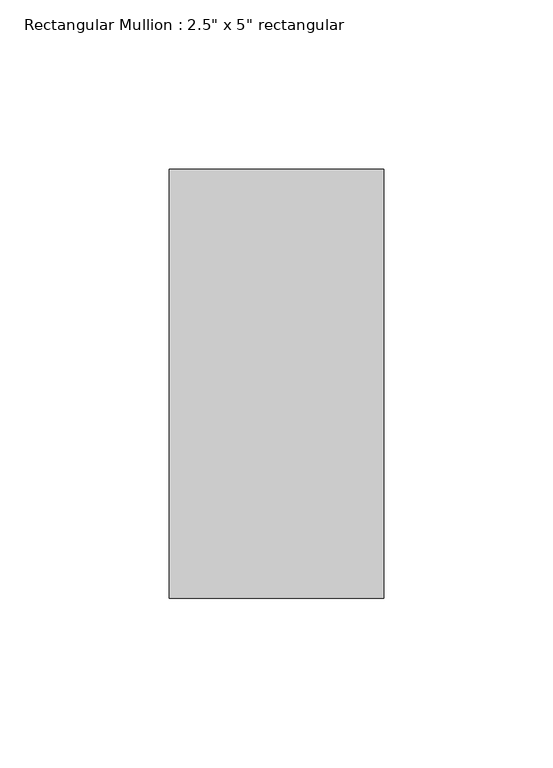
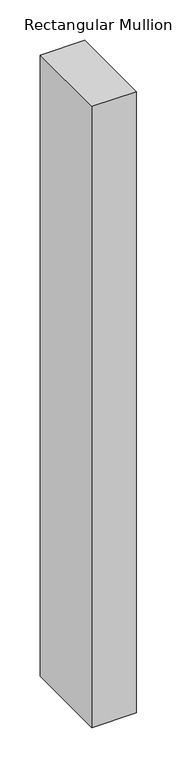
"""IFC4 building model written with IfcOpenShell, lengths in millimetres: member geometry."""

from ifc_helpers import new_model, si_unit, frame, origin, place, context, project, spatial, polyline, outline, extrude, source, transform, mapped, element, save


def member_05c951e7(model_context):
    return source(origin(), model_context, "Body", "SweptSolid", [
        extrude(outline(polyline([(0.0, 63.5), (0.0, -63.5), (-63.5, -63.5), (-63.5, 63.5), (0.0, 63.5)])), frame((0.0, 0.0, -936.9702737), z_axis=(0.0, 0.0, 1.0), x_axis=(1.0, 0.0, 0.0)), (0.0, 0.0, 1.0), 936.9702737),
    ])


if __name__ == "__main__":
    model = new_model("IFC4")
    model_context = context("Model", 3, world=origin())
    ifc_project = project(units=[si_unit("LENGTHUNIT", "METRE", prefix="MILLI")], contexts=[model_context])
    site = spatial("IfcSite", under=ifc_project)
    building = spatial("IfcBuilding", under=site)
    placement = place(None, origin())
    member_shape = member_05c951e7(model_context)
    element("IfcMember", 1, ObjectType="Rectangular Mullion : 2.5\" x 5\" rectangular", at=placement, inside=building, context=model_context, shape_type="MappedRepresentation", body=[
        mapped(member_shape, transform((0.0, 0.0, 0.0), x_axis=(1.0, 0.0, 0.0), y_axis=(0.0, 1.0, 0.0), z_axis=(0.0, 0.0, 1.0))),
    ])
    save(model, "model.ifc")
